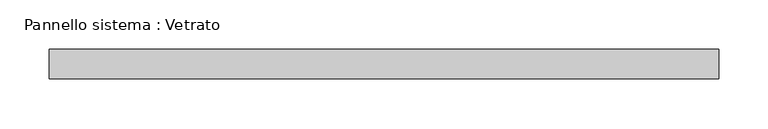
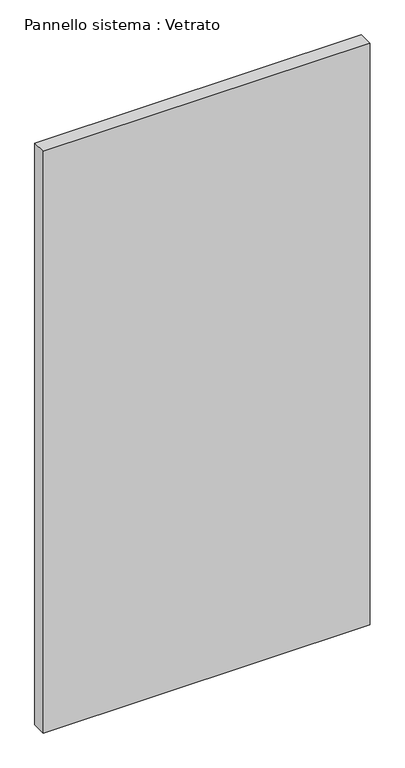
"""IFC4 building model written with IfcOpenShell, lengths in millimetres: plate geometry, Pannello sistema : Vetrato."""

from ifc_helpers import new_model, si_unit, origin, origin_with_axes, place, context, project, spatial, polyline, outline, extrude, source, transform, mapped, element, save


def pannello_sistema_vetrato_5e79e282(model_context):
    return source(origin(), model_context, "Body", "SweptSolid", [
        extrude(outline(polyline([(339.0, -15.0), (-339.0, -15.0), (-339.0, 15.0), (339.0, 15.0), (339.0, -15.0)])), origin_with_axes(), (0.0, 0.0, 1.0), 1275.0),
    ])


if __name__ == "__main__":
    model = new_model("IFC4")
    model_context = context("Model", 3, world=origin())
    ifc_project = project(units=[si_unit("LENGTHUNIT", "METRE", prefix="MILLI")], contexts=[model_context])
    site = spatial("IfcSite", under=ifc_project)
    building = spatial("IfcBuilding", under=site)
    placement = place(None, origin())
    pannello_sistema_vetrato_shape = pannello_sistema_vetrato_5e79e282(model_context)
    element("IfcPlate", 1, ObjectType="Pannello sistema : Vetrato", at=placement, inside=building, context=model_context, shape_type="MappedRepresentation", body=[
        mapped(pannello_sistema_vetrato_shape, transform((0.0, 0.0, 0.0), x_axis=(1.0, 0.0, 0.0), y_axis=(0.0, 1.0, 0.0), z_axis=(0.0, 0.0, 1.0))),
    ])
    save(model, "model.ifc")
